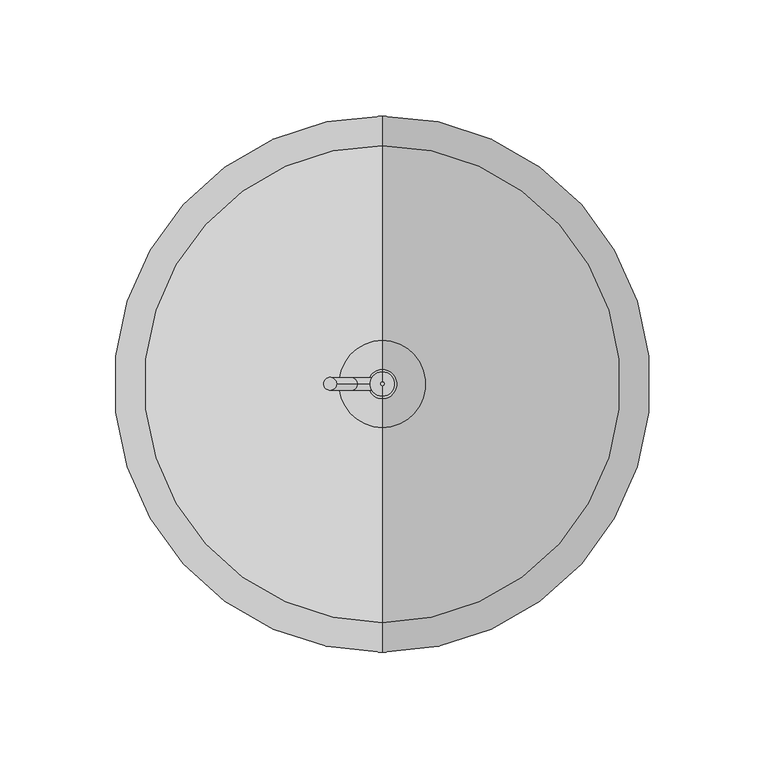
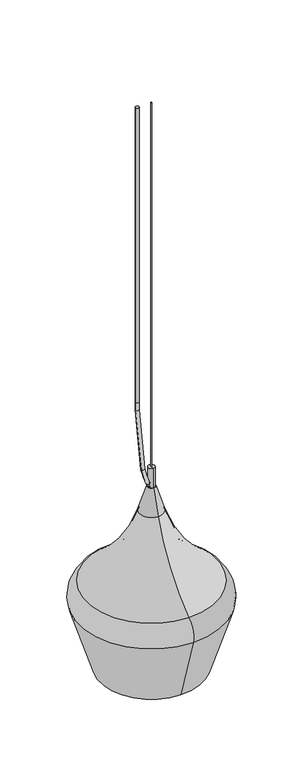
"""IFC4 building model written with IfcOpenShell, lengths in millimetres: furniture geometry."""

from ifc_helpers import new_model, si_unit, point, frame, origin, origin_2d, place, context, project, spatial, polyline, circle_curve, ellipse_curve, trimmed, segment, composite_curve, outline, extrude, source, transform, mapped, element, save
from ifc_brep_helpers import plane_surface, cylinder_surface, revolved_surface, advanced_brep


def furniture_3ccf5d8c(model_context):
    return source(origin(), model_context, "Body", "SolidModel", [
        advanced_brep(
        [(0.0, -114.4871153, 1451.2239875), (0.0, 114.4871153, 1451.2239875), (0.0, 80.9501112, 1343.5737194), (0.0, -80.9501112, 1343.5737194), (0.0, -102.9835199, 1486.2463924), (0.0, 102.9835199, 1486.2463924), (0.0, -18.8581388, 1604.1856096), (0.0, 18.8581388, 1604.1856096), (0.0, -6.3819653, 1644.1702085), (0.0, 6.3819653, 1644.1702085), (0.0, -5.2672495, 1644.1702085), (0.0, 5.2672495, 1644.1702085), (0.0, -5.2672495, 1676.4), (0.0, 5.2672495, 1676.4), (0.0, 0.0, 1676.4), (0.0, -12.0100866, 1561.7507117), (0.0, 12.0100866, 1561.7507117), (0.0, 0.0, 1561.7507117), (0.0, -12.0097282, 1549.1213045), (0.0, 12.0097282, 1549.1213045), (0.0, -14.8309329, 1549.1213045), (0.0, 14.8309329, 1549.1213045), (0.0, -14.8309329, 1546.9954713), (0.0, 14.8309329, 1546.9954713), (0.0, -15.774827, 1546.9954713), (0.0, 15.774827, 1546.9954713), (0.0, -15.7756154, 1603.827631), (0.0, 15.7756154, 1603.827631), (0.0, -17.9055344, 1603.827631), (0.0, 17.9055344, 1603.827631), (0.0, -102.3816186, 1485.4278748), (0.0, 102.3816186, 1485.4278748), (0.0, -113.5170992, 1451.5261869), (0.0, 113.5170992, 1451.5261869), (0.0, -79.980095, 1343.875915), (0.0, 79.980095, 1343.875915)],
        [
            (0, 1, circle_curve(frame((0.0, 0.0, 1451.2239875), z_axis=(0.0, 0.0, -1.0), x_axis=(0.0, 1.0, 0.0)), 114.4871153)),
            (1, 2),
            (2, 3, circle_curve(frame((0.0, 0.0, 1343.5737194), z_axis=(0.0, 0.0, 1.0), x_axis=(0.0, 1.0, 0.0)), 80.9501112)),
            (3, 0),
            (1, 0, circle_curve(frame((0.0, 0.0, 1451.2239875), z_axis=(0.0, 0.0, -1.0), x_axis=(0.0, 1.0, 0.0)), 114.4871153)),
            (3, 2, circle_curve(frame((0.0, 0.0, 1343.5737194), z_axis=(0.0, 0.0, 1.0), x_axis=(0.0, 1.0, 0.0)), 80.9501112)),
            (4, 5, circle_curve(frame((0.0, 0.0, 1486.2463924), z_axis=(0.0, 0.0, -1.0), x_axis=(0.0, 1.0, 0.0)), 102.9835199)),
            (5, 1, circle_curve(frame((0.0, 84.174108, 1460.6677194), z_axis=(-1.0, 0.0, 0.0), x_axis=(0.0, 1.0, 0.0)), 31.7499998)),
            (0, 4, circle_curve(frame((0.0, -84.174108, 1460.6677194), z_axis=(-1.0, 0.0, 0.0), x_axis=(0.0, -1.0, 0.0)), 31.7499998)),
            (5, 4, circle_curve(frame((0.0, 0.0, 1486.2463924), z_axis=(0.0, 0.0, -1.0), x_axis=(0.0, 1.0, 0.0)), 102.9835199)),
            (6, 7, circle_curve(frame((0.0, 0.0, 1604.1856096), z_axis=(0.0, 0.0, -1.0), x_axis=(0.0, 1.0, 0.0)), 18.8581388)),
            (7, 5, circle_curve(frame((0.0, 240.5859284, 1673.3701067), z_axis=(1.0, 0.0, 0.0), x_axis=(0.0, 1.0, 0.0)), 232.270763)),
            (4, 6, circle_curve(frame((0.0, -240.5859284, 1673.3701067), z_axis=(1.0, 0.0, 0.0), x_axis=(0.0, -1.0, 0.0)), 232.270763)),
            (7, 6, circle_curve(frame((0.0, 0.0, 1604.1856096), z_axis=(0.0, 0.0, -1.0), x_axis=(0.0, 1.0, 0.0)), 18.8581388)),
            (8, 9, circle_curve(frame((0.0, 0.0, 1644.1702085), z_axis=(0.0, 0.0, -1.0), x_axis=(0.0, 1.0, 0.0)), 6.3819653)),
            (9, 7),
            (6, 8),
            (9, 8, circle_curve(frame((0.0, 0.0, 1644.1702085), z_axis=(0.0, 0.0, -1.0), x_axis=(0.0, 1.0, 0.0)), 6.3819653)),
            (10, 11, circle_curve(frame((0.0, 0.0, 1644.1702085), z_axis=(0.0, 0.0, -1.0), x_axis=(0.0, 1.0, 0.0)), 5.2672495)),
            (11, 9),
            (8, 10),
            (11, 10, circle_curve(frame((0.0, 0.0, 1644.1702085), z_axis=(0.0, 0.0, -1.0), x_axis=(0.0, 1.0, 0.0)), 5.2672495)),
            (12, 13, circle_curve(frame((0.0, 0.0, 1676.4), z_axis=(0.0, 0.0, -1.0), x_axis=(0.0, 1.0, 0.0)), 5.2672495)),
            (13, 11),
            (10, 12),
            (13, 12, circle_curve(frame((0.0, 0.0, 1676.4), z_axis=(0.0, 0.0, -1.0), x_axis=(0.0, 1.0, 0.0)), 5.2672495)),
            (14, 13),
            (12, 14),
            (15, 16, circle_curve(frame((0.0, 0.0, 1561.7507117), z_axis=(0.0, 0.0, -1.0), x_axis=(0.0, 1.0, 0.0)), 12.0100866)),
            (16, 17),
            (17, 15),
            (16, 15, circle_curve(frame((0.0, 0.0, 1561.7507117), z_axis=(0.0, 0.0, -1.0), x_axis=(0.0, 1.0, 0.0)), 12.0100866)),
            (18, 19, circle_curve(frame((0.0, 0.0, 1549.1213045), z_axis=(0.0, 0.0, -1.0), x_axis=(0.0, 1.0, 0.0)), 12.0097282)),
            (19, 16),
            (15, 18),
            (19, 18, circle_curve(frame((0.0, 0.0, 1549.1213045), z_axis=(0.0, 0.0, -1.0), x_axis=(0.0, 1.0, 0.0)), 12.0097282)),
            (20, 21, circle_curve(frame((0.0, 0.0, 1549.1213045), z_axis=(0.0, 0.0, -1.0), x_axis=(0.0, 1.0, 0.0)), 14.8309329)),
            (21, 19),
            (18, 20),
            (21, 20, circle_curve(frame((0.0, 0.0, 1549.1213045), z_axis=(0.0, 0.0, -1.0), x_axis=(0.0, 1.0, 0.0)), 14.8309329)),
            (22, 23, circle_curve(frame((0.0, 0.0, 1546.9954713), z_axis=(0.0, 0.0, -1.0), x_axis=(0.0, 1.0, 0.0)), 14.8309329)),
            (23, 21),
            (20, 22),
            (23, 22, circle_curve(frame((0.0, 0.0, 1546.9954713), z_axis=(0.0, 0.0, -1.0), x_axis=(0.0, 1.0, 0.0)), 14.8309329)),
            (24, 25, circle_curve(frame((0.0, 0.0, 1546.9954713), z_axis=(0.0, 0.0, -1.0), x_axis=(0.0, 1.0, 0.0)), 15.774827)),
            (25, 23),
            (22, 24),
            (25, 24, circle_curve(frame((0.0, 0.0, 1546.9954713), z_axis=(0.0, 0.0, -1.0), x_axis=(0.0, 1.0, 0.0)), 15.774827)),
            (26, 27, circle_curve(frame((0.0, 0.0, 1603.827631), z_axis=(0.0, 0.0, -1.0), x_axis=(0.0, 1.0, 0.0)), 15.7756154)),
            (27, 25),
            (24, 26),
            (27, 26, circle_curve(frame((0.0, 0.0, 1603.827631), z_axis=(0.0, 0.0, -1.0), x_axis=(0.0, 1.0, 0.0)), 15.7756154)),
            (28, 29, circle_curve(frame((0.0, 0.0, 1603.827631), z_axis=(0.0, 0.0, -1.0), x_axis=(0.0, 1.0, 0.0)), 17.9055344)),
            (29, 27),
            (26, 28),
            (29, 28, circle_curve(frame((0.0, 0.0, 1603.827631), z_axis=(0.0, 0.0, -1.0), x_axis=(0.0, 1.0, 0.0)), 17.9055344)),
            (30, 31, circle_curve(frame((0.0, 0.0, 1485.4278748), z_axis=(0.0, 0.0, -1.0), x_axis=(0.0, 1.0, 0.0)), 102.3816186)),
            (31, 29, circle_curve(frame((0.0, 240.5859284, 1673.3701067), z_axis=(-1.0, 0.0, 0.0), x_axis=(0.0, 1.0, 0.0)), 233.286763)),
            (28, 30, circle_curve(frame((0.0, -240.5859284, 1673.3701067), z_axis=(-1.0, 0.0, 0.0), x_axis=(0.0, -1.0, 0.0)), 233.286763)),
            (31, 30, circle_curve(frame((0.0, 0.0, 1485.4278748), z_axis=(0.0, 0.0, -1.0), x_axis=(0.0, 1.0, 0.0)), 102.3816186)),
            (32, 33, circle_curve(frame((0.0, 0.0, 1451.5261869), z_axis=(0.0, 0.0, -1.0), x_axis=(0.0, 1.0, 0.0)), 113.5170992)),
            (33, 31, circle_curve(frame((0.0, 84.174108, 1460.6677194), z_axis=(1.0, 0.0, 0.0), x_axis=(0.0, 1.0, 0.0)), 30.7339999)),
            (30, 32, circle_curve(frame((0.0, -84.174108, 1460.6677194), z_axis=(1.0, 0.0, 0.0), x_axis=(0.0, -1.0, 0.0)), 30.7339999)),
            (33, 32, circle_curve(frame((0.0, 0.0, 1451.5261869), z_axis=(0.0, 0.0, -1.0), x_axis=(0.0, 1.0, 0.0)), 113.5170992)),
            (34, 35, circle_curve(frame((0.0, 0.0, 1343.875915), z_axis=(0.0, 0.0, -1.0), x_axis=(0.0, 1.0, 0.0)), 79.980095)),
            (35, 33),
            (32, 34),
            (35, 34, circle_curve(frame((0.0, 0.0, 1343.875915), z_axis=(0.0, 0.0, -1.0), x_axis=(0.0, 1.0, 0.0)), 79.980095)),
            (2, 35),
            (34, 3),
        ],
        [
            revolved_surface(polyline([(0.0, 80.9501112, 1343.5737194), (0.0, 114.4871153, 1451.2239875)]), (0.0, 0.0, 1286.6441089), (0.0, 0.0, 1.0)),
            revolved_surface(trimmed(ellipse_curve(frame((0.0, 84.174108, 1460.6677194), z_axis=(1.0, 0.0, 0.0), x_axis=(0.0, 1.0, 0.0)), 31.7499998, 31.7499998), [point((0.0, 114.4871153, 1451.2239875))], [point((0.0, 102.9835199, 1486.2463924))], True, "CARTESIAN"), (0.0, 0.0, 1286.6441089), (0.0, 0.0, 1.0)),
            revolved_surface(trimmed(ellipse_curve(frame((0.0, 240.5859284, 1673.3701067), z_axis=(-1.0, 0.0, 0.0), x_axis=(0.0, 1.0, 0.0)), 232.270763, 232.270763), [point((0.0, 102.9835198, 1486.2463923))], [point((0.0, 18.8581388, 1604.1856096))], True, "CARTESIAN"), (0.0, 0.0, 1286.6441089), (0.0, 0.0, 1.0)),
            revolved_surface(polyline([(0.0, 18.8581388, 1604.1856096), (0.0, 6.3819653, 1644.1702085)]), (0.0, 0.0, 1286.6441089), (0.0, 0.0, 1.0)),
            plane_surface(frame((0.0, 0.0, 1644.1702085), z_axis=(0.0, 0.0, 1.0), x_axis=(0.0, 1.0, 0.0))),
            cylinder_surface(frame((0.0, 0.0, 1286.6441089), z_axis=(0.0, 0.0, 1.0), x_axis=(0.0, 1.0, 0.0)), 5.2672495),
            plane_surface(frame((0.0, 0.0, 1676.4), z_axis=(0.0, 0.0, 1.0), x_axis=(0.0, 1.0, 0.0))),
            plane_surface(frame((0.0, 0.0, 1561.7507117), z_axis=(0.0, 0.0, -1.0), x_axis=(0.0, 1.0, 0.0))),
            revolved_surface(polyline([(0.0, 12.0097282, 1561.7507117), (0.0, 12.0097282, 1549.1213045)]), (0.0, 0.0, 1286.6441089), (0.0, 0.0, 1.0)),
            plane_surface(frame((0.0, 0.0, 1549.1213045), z_axis=(0.0, 0.0, -1.0), x_axis=(0.0, 1.0, 0.0))),
            revolved_surface(polyline([(0.0, 14.8309329, 1549.1213045), (0.0, 14.8309329, 1546.9954713)]), (0.0, 0.0, 1286.6441089), (0.0, 0.0, 1.0)),
            plane_surface(frame((0.0, 0.0, 1546.9954713), z_axis=(0.0, 0.0, -1.0), x_axis=(0.0, 1.0, 0.0))),
            cylinder_surface(frame((0.0, 0.0, 1286.6441089), z_axis=(0.0, 0.0, 1.0), x_axis=(0.0, 1.0, 0.0)), 15.7756154),
            plane_surface(frame((0.0, 0.0, 1603.827631), z_axis=(0.0, 0.0, -1.0), x_axis=(0.0, 1.0, 0.0))),
            revolved_surface(trimmed(ellipse_curve(frame((0.0, 240.5859284, 1673.3701067), z_axis=(1.0, 0.0, 0.0), x_axis=(0.0, 1.0, 0.0)), 233.286763, 233.286763), [point((0.0, 17.9055344, 1603.827631))], [point((0.0, 102.3816186, 1485.4278748))], True, "CARTESIAN"), (0.0, 0.0, 1286.6441089), (0.0, 0.0, 1.0)),
            revolved_surface(trimmed(ellipse_curve(frame((0.0, 84.174108, 1460.6677194), z_axis=(-1.0, 0.0, 0.0), x_axis=(0.0, 1.0, 0.0)), 30.7339999, 30.7339999), [point((0.0, 102.3816187, 1485.4278749))], [point((0.0, 113.5170992, 1451.5261869))], True, "CARTESIAN"), (0.0, 0.0, 1286.6441089), (0.0, 0.0, 1.0)),
            revolved_surface(polyline([(0.0, 113.5170993, 1451.5261868), (0.0, 79.980095, 1343.875915)]), (0.0, 0.0, 1286.6441089), (0.0, 0.0, 1.0)),
            revolved_surface(polyline([(0.0, 79.980095, 1343.875915), (0.0, 80.9501112, 1343.5737194)]), (0.0, 0.0, 1286.6441089), (0.0, 0.0, 1.0)),
        ],
        [
            (0, [[1, 2, 3, 4]]),
            (0, [[5, -4, 6, -2]]),
            (1, [[7, 8, -1, 9]]),
            (1, [[10, -9, -5, -8]]),
            (2, [[11, 12, -7, 13]]),
            (2, [[14, -13, -10, -12]]),
            (3, [[15, 16, -11, 17]]),
            (3, [[18, -17, -14, -16]]),
            (4, [[19, 20, -15, 21]]),
            (4, [[22, -21, -18, -20]]),
            (5, [[23, 24, -19, 25]]),
            (5, [[26, -25, -22, -24]]),
            (6, [[27, -23, 28]]),
            (6, [[-28, -26, -27]]),
            (7, [[29, 30, 31]]),
            (7, [[32, -31, -30]]),
            (8, [[33, 34, -29, 35]]),
            (8, [[36, -35, -32, -34]]),
            (9, [[37, 38, -33, 39]]),
            (9, [[40, -39, -36, -38]]),
            (10, [[41, 42, -37, 43]]),
            (10, [[44, -43, -40, -42]]),
            (11, [[45, 46, -41, 47]]),
            (11, [[48, -47, -44, -46]]),
            (12, [[49, 50, -45, 51]]),
            (12, [[52, -51, -48, -50]]),
            (13, [[53, 54, -49, 55]]),
            (13, [[56, -55, -52, -54]]),
            (14, [[57, 58, -53, 59]]),
            (14, [[60, -59, -56, -58]]),
            (15, [[61, 62, -57, 63]]),
            (15, [[64, -63, -60, -62]]),
            (16, [[65, 66, -61, 67]]),
            (16, [[68, -67, -64, -66]]),
            (17, [[-3, 69, -65, 70]]),
            (17, [[-6, -70, -68, -69]]),
        ],
    ),
        advanced_brep(
        [(0.6021357, 0.0, 1648.2557331), (-2.3682407, 0.0, 1643.5225938), (-2.7501211, 0.0, 1652.0709622), (-7.8260673, 0.0, 1649.7341878), (-10.6957994, 0.0, 1677.3833208), (-16.1966016, 0.0, 1676.4), (-19.741253, 0.0, 1779.3879205), (-25.329253, 0.0, 1779.3879205), (-19.741253, 0.0, 1792.0879204), (-25.329253, 0.0, 1792.0879204), (-25.329253, 0.0, 2286.0), (-19.741253, 0.0, 2286.0)],
        [
            (0, 1, circle_curve(frame((-0.8830525, 0.0, 1645.8891635), z_axis=(0.8470184882891747, 0.0, -0.5315634303602169), x_axis=(-0.5315634303602169, 0.0, -0.8470184882891747)), 2.794)),
            (1, 0, circle_curve(frame((-0.8830525, 0.0, 1645.8891635), z_axis=(0.8470184882891747, 0.0, -0.5315634303602169), x_axis=(-0.5315634303602169, 0.0, -0.8470184882891747)), 2.794)),
            (0, 2, circle_curve(frame((5.3312429, 0.0, 1655.7913177), z_axis=(0.0, 1.0, 0.0), x_axis=(-0.5315634303602169, 0.0, -0.8470184882891747)), 8.8965998)),
            (2, 3, circle_curve(frame((-5.2880942, 0.0, 1650.902575), z_axis=(0.41817723360666303, 0.0, -0.9083654558012861), x_axis=(-0.9083654558012861, 0.0, -0.41817723360666303)), 2.794)),
            (3, 1, circle_curve(frame((5.3312429, 0.0, 1655.7913177), z_axis=(0.0, -1.0, 0.0), x_axis=(-0.5315634303602169, 0.0, -0.8470184882891747)), 14.4845998)),
            (3, 2, circle_curve(frame((-5.2880942, 0.0, 1650.902575), z_axis=(0.41817723360663467, 0.0, -0.9083654558012992), x_axis=(-0.9083654558012992, 0.0, -0.41817723360663467)), 2.794)),
            (2, 4, circle_curve(frame((92.180486, 0.0, 1695.7734372), z_axis=(0.0, 1.0, 0.0), x_axis=(-0.9083654558013188, 0.0, -0.4181772336065921)), 104.5070643)),
            (4, 5, circle_curve(frame((-13.4462005, 0.0, 1676.8916604), z_axis=(0.1759700794087641, 0.0, -0.984395515609896), x_axis=(-0.984395515609896, 0.0, -0.1759700794087641)), 2.794)),
            (5, 3, circle_curve(frame((92.180486, 0.0, 1695.7734372), z_axis=(0.0, -1.0, 0.0), x_axis=(-0.9083654558013188, 0.0, -0.4181772336065921)), 110.0950643)),
            (5, 4, circle_curve(frame((-13.4462005, 0.0, 1676.8916604), z_axis=(0.17597007940876203, 0.0, -0.9843955156098965), x_axis=(-0.9843955156098965, 0.0, -0.17597007940876203)), 2.794)),
            (4, 6, circle_curve(frame((559.9288818, 0.0, 1779.3879205), z_axis=(0.0, 1.0, 0.0), x_axis=(-0.9843955156099008, 0.0, -0.1759700794087381)), 579.6701348)),
            (6, 7, circle_curve(frame((-22.535253, 0.0, 1779.3879205), z_axis=(0.0, 0.0, -1.0), x_axis=(-1.0, 0.0, 0.0)), 2.794)),
            (7, 5, circle_curve(frame((559.9288818, 0.0, 1779.3879205), z_axis=(0.0, -1.0, 0.0), x_axis=(-0.9843955156099008, 0.0, -0.1759700794087381)), 585.2581348)),
            (7, 6, circle_curve(frame((-22.535253, 0.0, 1779.3879205), z_axis=(0.0, 0.0, -0.9999999999999999), x_axis=(-0.9999999999999999, 0.0, 0.0)), 2.794)),
            (6, 8),
            (8, 9, circle_curve(frame((-22.535253, 0.0, 1792.0879204), z_axis=(0.0, 0.0, -1.0), x_axis=(-1.0, 0.0, 0.0)), 2.794)),
            (9, 7),
            (9, 8, circle_curve(frame((-22.535253, 0.0, 1792.0879204), z_axis=(0.0, 0.0, -1.0), x_axis=(-1.0, 0.0, 0.0)), 2.794)),
            (10, 11, circle_curve(frame((-22.535253, 0.0, 2286.0), z_axis=(0.0, 0.0, 1.0), x_axis=(1.0, 0.0, 0.0)), 2.794)),
            (11, 10, circle_curve(frame((-22.535253, 0.0, 2286.0), z_axis=(0.0, 0.0, 1.0), x_axis=(1.0, 0.0, 0.0)), 2.794)),
            (10, 9),
            (8, 11),
        ],
        [
            plane_surface(frame((-2.3682407, 0.0, 1643.5225938), z_axis=(0.8470184882891748, 0.0, -0.5315634303602169), x_axis=(0.0, -1.0, 0.0))),
            revolved_surface(trimmed(ellipse_curve(frame((-0.8830525, 0.0, 1645.8891635), z_axis=(0.8470184882891747, 0.0, -0.5315634303602169), x_axis=(-0.5315634303602169, 0.0, -0.8470184882891747)), 2.794, 2.794), [point((0.6021357, 0.0, 1648.2557331))], [point((-2.3682407, 0.0, 1643.5225938))], True, "CARTESIAN"), (5.3312429, 0.0, 1655.7913177), (0.0, 1.0, 0.0)),
            revolved_surface(trimmed(ellipse_curve(frame((-0.8830525, 0.0, 1645.8891635), z_axis=(0.8470184882891747, 0.0, -0.5315634303602169), x_axis=(-0.5315634303602169, 0.0, -0.8470184882891747)), 2.794, 2.794), [point((-2.3682407, 0.0, 1643.5225938))], [point((0.6021357, 0.0, 1648.2557331))], True, "CARTESIAN"), (5.3312429, 0.0, 1655.7913177), (0.0, 1.0, 0.0)),
            revolved_surface(trimmed(ellipse_curve(frame((-5.2880942, 0.0, 1650.902575), z_axis=(0.4181772336065922, 0.0, -0.9083654558013188), x_axis=(-0.9083654558013188, 0.0, -0.4181772336065922)), 2.794, 2.794), [point((-2.7501211, 0.0, 1652.0709622))], [point((-7.8260673, 0.0, 1649.7341878))], True, "CARTESIAN"), (92.180486, 0.0, 1695.7734372), (0.0, 1.0, 0.0)),
            revolved_surface(trimmed(ellipse_curve(frame((-5.2880942, 0.0, 1650.902575), z_axis=(0.4181772336065922, 0.0, -0.9083654558013188), x_axis=(-0.9083654558013188, 0.0, -0.4181772336065922)), 2.794, 2.794), [point((-7.8260673, 0.0, 1649.7341878))], [point((-2.7501211, 0.0, 1652.0709622))], True, "CARTESIAN"), (92.180486, 0.0, 1695.7734372), (0.0, 1.0, 0.0)),
            revolved_surface(trimmed(ellipse_curve(frame((-13.4462005, 0.0, 1676.8916604), z_axis=(0.17597007940873818, 0.0, -0.9843955156099008), x_axis=(-0.9843955156099008, 0.0, -0.17597007940873818)), 2.794, 2.794), [point((-10.6957994, 0.0, 1677.3833208))], [point((-16.1966016, 0.0, 1676.4))], True, "CARTESIAN"), (559.9288818, 0.0, 1779.3879205), (0.0, 1.0, 0.0)),
            revolved_surface(trimmed(ellipse_curve(frame((-13.4462005, 0.0, 1676.8916604), z_axis=(0.17597007940873818, 0.0, -0.9843955156099008), x_axis=(-0.9843955156099008, 0.0, -0.17597007940873818)), 2.794, 2.794), [point((-16.1966016, 0.0, 1676.4))], [point((-10.6957994, 0.0, 1677.3833208))], True, "CARTESIAN"), (559.9288818, 0.0, 1779.3879205), (0.0, 1.0, 0.0)),
            cylinder_surface(frame((-22.535253, 0.0, 1779.3879205), z_axis=(0.0, 0.0, -1.0), x_axis=(-1.0, 0.0, 0.0)), 2.794),
            plane_surface(frame((-19.741253, 0.0, 2286.0), z_axis=(0.0, 0.0, 1.0), x_axis=(0.0, 1.0, 0.0))),
            cylinder_surface(frame((-22.535253, 0.0, 1792.0879204), z_axis=(0.0, 0.0, 1.0), x_axis=(1.0, 0.0, 0.0)), 2.794),
        ],
        [
            (0, [[1, 2]]),
            (1, [[-1, 3, 4, 5]]),
            (2, [[-2, -5, 6, -3]]),
            (3, [[-4, 7, 8, 9]]),
            (4, [[-6, -9, 10, -7]]),
            (5, [[-8, 11, 12, 13]]),
            (6, [[-10, -13, 14, -11]]),
            (7, [[-12, 15, 16, 17]]),
            (7, [[-14, -17, 18, -15]]),
            (8, [[19, 20]]),
            (9, [[-19, 21, -16, 22]]),
            (9, [[-20, -22, -18, -21]]),
        ],
    ),
        extrude(outline(composite_curve([segment(trimmed(circle_curve(origin_2d(), 0.762), [point((-0.762, 0.0))], [point((0.762, 0.0))], False, "CARTESIAN"), True, "CONTINUOUS"), segment(trimmed(circle_curve(origin_2d(), 0.762), [point((0.762, 0.0))], [point((-0.762, 0.0))], False, "CARTESIAN"), True, "CONTINUOUS")], self_intersect=False)), frame((0.0, 0.0, 1676.4), z_axis=(0.0, 0.0, 1.0), x_axis=(1.0, 0.0, 0.0)), (0.0, 0.0, 1.0), 609.6),
    ])


if __name__ == "__main__":
    model = new_model("IFC4")
    model_context = context("Model", 3, world=origin())
    ifc_project = project(units=[si_unit("LENGTHUNIT", "METRE", prefix="MILLI")], contexts=[model_context])
    site = spatial("IfcSite", under=ifc_project)
    building = spatial("IfcBuilding", under=site)
    placement = place(None, origin())
    furniture_shape = furniture_3ccf5d8c(model_context)
    element("IfcFurniture", 1, at=placement, inside=building, context=model_context, shape_type="MappedRepresentation", body=[
        mapped(furniture_shape, transform((0.0, 0.0, 0.0), x_axis=(1.0, 0.0, 0.0), y_axis=(0.0, 1.0, 0.0), z_axis=(0.0, 0.0, 1.0))),
    ])
    save(model, "model.ifc")
